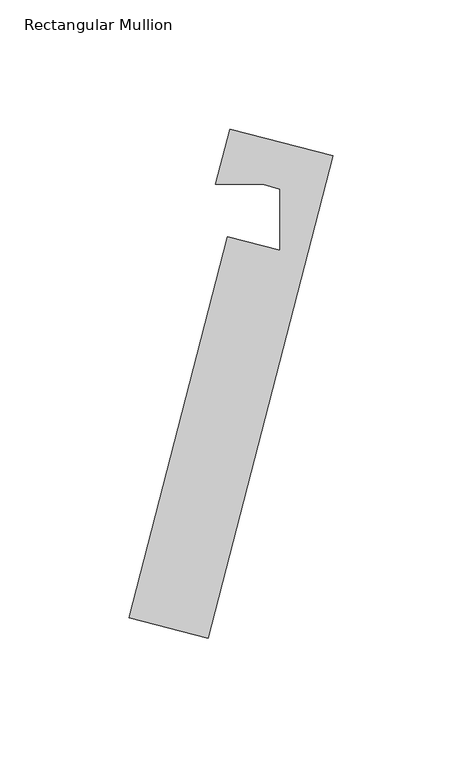
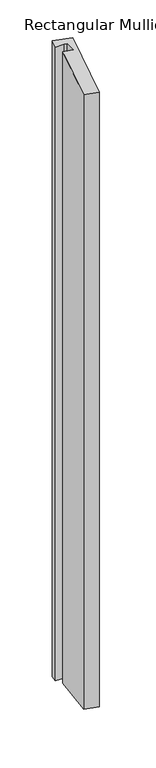
"""IFC4 building model written with IfcOpenShell, lengths in millimetres: member geometry, Rectangular Mullion."""

import ifcopenshell
import ifcopenshell.guid

model = None  # the IFC model being written
_history = None  # IfcOwnerHistory: only IFC2X3 demands one
_inside = {}  # id of a spatial element -> (the spatial element, [elements in it])
_under = {}  # id of a project, library or spatial element -> (it, [spatial elements below it])
_declared = {}  # id of a project -> (the project, [libraries it declares])
_typed = {}  # id of a type object -> (the type object, [elements of that type])
_made_of = {}  # id of a material, layer set ... -> (it, [elements and type objects made of it])


def new_model(schema):
    """Start an empty IFC model of exactly this schema.

    Asked for "IFC4X3", IfcOpenShell would pick the latest addendum, in which some entities
    have other attributes; the version numbers below select the first issue.
    IFC2X3 requires an IfcOwnerHistory on every rooted entity: one is made here for all.
    """
    global model, _history
    if schema == "IFC4X3":
        model = ifcopenshell.file(schema_version=(4, 3, 0, 0))
    else:
        model = ifcopenshell.file(schema=schema)
    _inside.clear()
    _under.clear()
    _declared.clear()
    _typed.clear()
    _made_of.clear()
    _history = None
    if model.schema == "IFC2X3":
        org = make("IfcOrganization", Name="unknown")
        user = make(
            "IfcPersonAndOrganization",
            ThePerson=make("IfcPerson", FamilyName="unknown"),
            TheOrganization=org,
        )
        app = make(
            "IfcApplication",
            ApplicationDeveloper=org,
            Version="unknown",
            ApplicationFullName="unknown",
            ApplicationIdentifier="unknown",
        )
        _history = make(
            "IfcOwnerHistory",
            OwningUser=user,
            OwningApplication=app,
            ChangeAction="ADDED",
            CreationDate=0,
        )
    return model


def make(cls, **values):
    """One entity of the class cls with the attributes given. An attribute that is None is left unset."""
    return model.create_entity(
        cls, **{name: value for name, value in values.items() if value is not None}
    )


def rooted(cls, **values):
    """An entity with a GlobalId (a new one), such as an element, a storey or a relation."""
    return make(cls, GlobalId=ifcopenshell.guid.new(), OwnerHistory=_history, **values)


def si_unit(unit_type, name, prefix=None):
    """IfcSIUnit, for example si_unit("LENGTHUNIT", "METRE", prefix="MILLI")."""
    return make("IfcSIUnit", UnitType=unit_type, Prefix=prefix, Name=name)


def assignment(units):
    """IfcUnitAssignment: the units of a project."""
    return None if units is None else make("IfcUnitAssignment", Units=units)


def point(xyz):
    """IfcCartesianPoint."""
    return None if xyz is None else make("IfcCartesianPoint", Coordinates=xyz)


def direction(xyz):
    """IfcDirection."""
    return None if xyz is None else make("IfcDirection", DirectionRatios=xyz)


def frame(location, z_axis=None, x_axis=None):
    """IfcAxis2Placement3D, a coordinate frame: its origin and axes. An axis left out is left unset."""
    return make(
        "IfcAxis2Placement3D",
        Location=point(location),
        Axis=direction(z_axis),
        RefDirection=direction(x_axis),
    )


def origin():
    """The frame at (0, 0, 0) with its axes left unset."""
    return frame((0.0, 0.0, 0.0))


def place(relative_to, where):
    """IfcLocalPlacement: puts the frame where relative to a parent placement (None: the world)."""
    return make(
        "IfcLocalPlacement", PlacementRelTo=relative_to, RelativePlacement=where
    )


def context(
    kind, dimensions, precision=None, world=None, true_north=None, identifier=None
):
    """IfcGeometricRepresentationContext, for example the 3D "Model" context."""
    return make(
        "IfcGeometricRepresentationContext",
        ContextIdentifier=identifier,
        ContextType=kind,
        CoordinateSpaceDimension=dimensions,
        Precision=precision,
        WorldCoordinateSystem=world,
        TrueNorth=true_north,
    )


def project(units=None, contexts=None):
    """IfcProject with its units and contexts."""
    return rooted(
        "IfcProject",
        Name="project",
        RepresentationContexts=contexts,
        UnitsInContext=assignment(units),
    )


def spatial(cls, under=None, at=None, **own):
    """A site, building, storey or space (cls), placed at a placement, below another one or the project."""
    s = rooted(cls, ObjectPlacement=at, **own)
    if under is not None:
        _under.setdefault(under.id(), (under, []))[1].append(s)
    return s


def faces_of(points, faces, orient=None, outer=None):
    """IfcFace entities. A face is a list of loops; a loop is a list of indices into points, from 0.

    orient and outer hold one flag for each loop. By default every Orientation is true, the
    first loop of a face is its IfcFaceOuterBound and the others are IfcFaceBound.
    """
    made = []
    for i, loops in enumerate(faces):
        bounds = []
        for j, loop in enumerate(loops):
            is_outer = j == 0 if outer is None else outer[i][j]
            bounds.append(
                make(
                    "IfcFaceOuterBound" if is_outer else "IfcFaceBound",
                    Bound=make("IfcPolyLoop", Polygon=[points[k] for k in loop]),
                    Orientation=True if orient is None else orient[i][j],
                )
            )
        made.append(make("IfcFace", Bounds=bounds))
    return made


def faceted_brep(points, faces, orient=None, outer=None, voids=None):
    """IfcFacetedBrep: a solid bounded by flat faces; with voids (closed shells), ...WithVoids."""
    shared = [point(p) for p in points]
    hull = make("IfcClosedShell", CfsFaces=faces_of(shared, faces, orient, outer))
    if voids is None:
        return make("IfcFacetedBrep", Outer=hull)
    return make(
        "IfcFacetedBrepWithVoids",
        Outer=hull,
        Voids=[
            make(cls, CfsFaces=faces_of(shared, fs, o, b)) for cls, fs, o, b in voids
        ],
    )


def shape(context_of_items, identifier, shape_type, items):
    """IfcShapeRepresentation: the items that make up one representation, for example the "Body"."""
    return make(
        "IfcShapeRepresentation",
        ContextOfItems=context_of_items,
        RepresentationIdentifier=identifier,
        RepresentationType=shape_type,
        Items=items,
    )


def source(mapping_origin, context_of_items, identifier, shape_type, items):
    """IfcRepresentationMap: a shape defined once, which mapped items show again and again."""
    return make(
        "IfcRepresentationMap",
        MappingOrigin=mapping_origin,
        MappedRepresentation=shape(context_of_items, identifier, shape_type, items),
    )


def transform(
    local_origin,
    x_axis=None,
    y_axis=None,
    z_axis=None,
    scale=None,
    scale2=None,
    scale3=None,
    uniform=True,
):
    """IfcCartesianTransformationOperator3D, or its non-uniform kind. x_axis, y_axis, z_axis: its Axis1, 2, 3."""
    if uniform:
        return make(
            "IfcCartesianTransformationOperator3D",
            Axis1=direction(x_axis),
            Axis2=direction(y_axis),
            LocalOrigin=point(local_origin),
            Scale=scale,
            Axis3=direction(z_axis),
        )
    return make(
        "IfcCartesianTransformationOperator3DnonUniform",
        Axis1=direction(x_axis),
        Axis2=direction(y_axis),
        LocalOrigin=point(local_origin),
        Scale=scale,
        Axis3=direction(z_axis),
        Scale2=scale2,
        Scale3=scale3,
    )


def mapped(mapping_source, mapping_target):
    """IfcMappedItem: shows the shape of a source again, moved by a transform."""
    return make(
        "IfcMappedItem", MappingSource=mapping_source, MappingTarget=mapping_target
    )


def made_of(thing, what):
    """Note that an element or type object is made of a material, layer set ...; save() writes the relation."""
    if what is not None:
        _made_of.setdefault(what.id(), (what, []))[1].append(thing)
    return thing


def element(
    cls,
    number,
    at=None,
    inside=None,
    cuts=None,
    type_object=None,
    material=None,
    context=None,
    identifier="Body",
    shape_type=None,
    held_by="IfcProductDefinitionShape",
    body=None,
    shapes=None,
    **own,
):
    """One element of the class cls, such as IfcWall. Its Tag is "e" and its number.

    at: its placement. inside: the storey or other place that contains it. cuts: it is an
    opening in that element (IfcRelVoidsElement). A single representation is given by context,
    identifier, shape_type and body (its items); several are given by shapes. held_by: the class
    of the entity that holds the representations. save() writes the other relations.
    """
    e = rooted(cls, Tag="e%d" % number, ObjectPlacement=at, **own)
    if body is not None:
        shapes = [shape(context, identifier, shape_type, body)]
    if shapes is not None:
        e.Representation = make(held_by, Representations=shapes)
    if inside is not None:
        _inside.setdefault(inside.id(), (inside, []))[1].append(e)
    if cuts is not None:
        rooted(
            "IfcRelVoidsElement", RelatingBuildingElement=cuts, RelatedOpeningElement=e
        )
    if type_object is not None:
        _typed.setdefault(type_object.id(), (type_object, []))[1].append(e)
    return made_of(e, material)


def aggregate(whole, parts):
    """IfcRelAggregates: a whole, such as a stair, and the parts it consists of."""
    return rooted("IfcRelAggregates", RelatingObject=whole, RelatedObjects=parts)


def save(model, path):
    """Write the relations noted so far, then the file.

    IfcRelAggregates (storeys below a building ...), IfcRelContainedInSpatialStructure (elements
    in a storey), IfcRelDefinesByType, IfcRelAssociatesMaterial and IfcRelDeclares: one each for
    every whole, place, type object, material and project.
    """
    for whole, parts in _under.values():
        aggregate(whole, parts)
    for where, things in _inside.values():
        rooted(
            "IfcRelContainedInSpatialStructure",
            RelatedElements=things,
            RelatingStructure=where,
        )
    for kind, things in _typed.values():
        rooted("IfcRelDefinesByType", RelatedObjects=things, RelatingType=kind)
    for what, things in _made_of.values():
        rooted("IfcRelAssociatesMaterial", RelatedObjects=things, RelatingMaterial=what)
    for by, libraries in _declared.values():
        rooted("IfcRelDeclares", RelatingContext=by, RelatedDefinitions=libraries)
    model.write(path)


def rectangular_mullion_9a4cd880(model_context):
    return source(origin(), model_context, "Body", "Brep", [
        faceted_brep([(-32.2785854, 1.9002894, 0.0), (-70.4622491, -145.6387489, 0.0), (-39.7249494, -153.5936789, 0.0), (8.6181739, 33.20081, 0.0), (-31.339798, 43.5420849, 0.0), (-36.8407243, 22.2868858, 0.0), (-18.4507926, 22.2764544, 0.0), (-11.8817409, 20.2116128, 0.0), (-11.89512, -3.3750289, 0.0), (-32.2785854, 1.9002894, -1496.7117143), (-70.4622491, -145.6387489, -1455.8762574), (-39.7249494, -153.5936789, -1455.8763789), (8.6181739, 33.20081, -1507.5768535), (-31.339798, 43.5420849, -1507.5766955), (-36.8407243, 22.2868858, -1501.6937388), (-18.4507926, 22.2764544, -1502.925698), (-11.8817409, 20.2116128, -1502.8311082), (-11.89512, -3.3750289, -1496.7117949)], [[[0, 1, 2, 3, 4, 5, 6, 7, 8]], [[1, 0, 9, 10]], [[2, 1, 10, 11]], [[3, 2, 11, 12]], [[4, 3, 12, 13]], [[5, 4, 13, 14]], [[6, 5, 14, 15]], [[7, 6, 15, 16]], [[8, 7, 16, 17]], [[0, 8, 17, 9]], [[9, 17, 16, 15, 14, 13, 12, 11, 10]]]),
    ])


if __name__ == "__main__":
    model = new_model("IFC4")
    model_context = context("Model", 3, world=origin())
    ifc_project = project(units=[si_unit("LENGTHUNIT", "METRE", prefix="MILLI")], contexts=[model_context])
    site = spatial("IfcSite", under=ifc_project)
    building = spatial("IfcBuilding", under=site)
    placement = place(None, origin())
    rectangular_mullion_shape = rectangular_mullion_9a4cd880(model_context)
    element("IfcMember", 1, ObjectType="Rectangular Mullion", at=placement, inside=building, context=model_context, shape_type="MappedRepresentation", body=[
        mapped(rectangular_mullion_shape, transform((0.0, 0.0, 0.0), x_axis=(1.0, 0.0, 0.0), y_axis=(0.0, 1.0, 0.0), z_axis=(0.0, 0.0, 1.0))),
    ])
    save(model, "model.ifc")
